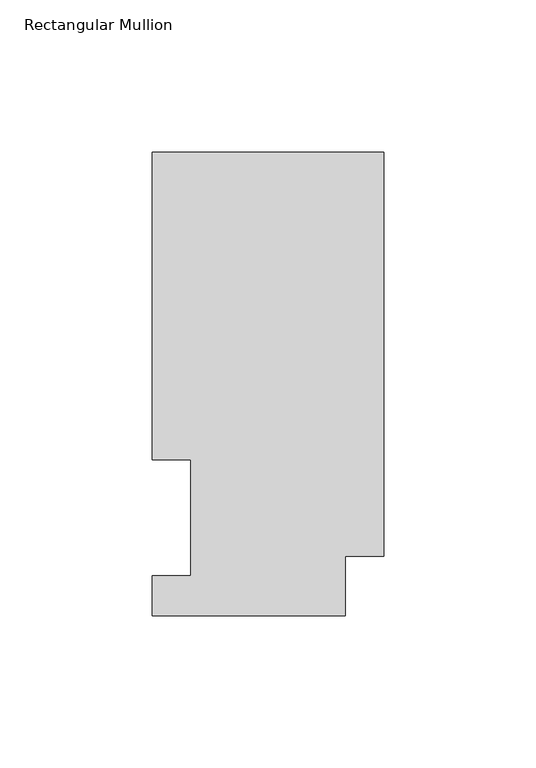
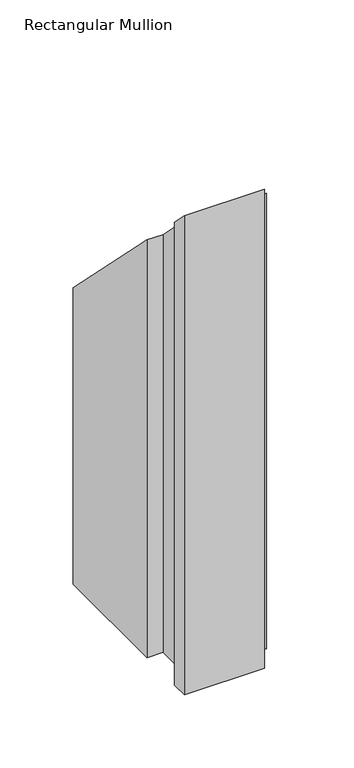
"""IFC4 building model written with IfcOpenShell, lengths in millimetres: member geometry, Rectangular Mullion."""

from ifc_helpers import new_model, si_unit, origin, place, context, project, spatial, faceted_brep, source, transform, mapped, element, save


def rectangular_mullion_5541d0c9(model_context):
    return source(origin(), model_context, "Body", "Brep", [
        faceted_brep([(-76.2, 13.1960938, -400.05), (-63.5127, 13.1960938, -400.05), (-63.5127, 51.2960938, -400.05), (-76.2, 51.2960938, -400.05), (-76.2, 152.4896938, -400.05), (0.0, 152.4896938, -400.05), (0.0, 19.5460937, -400.05), (-12.7, 19.5460937, -400.05), (-12.7, 0.0134938, -400.05), (-76.2, 0.0134938, -400.05), (-76.2, 0.0134938, -0.0134938), (-76.2, 13.1960938, -13.1960938), (-12.7, 0.0134938, -0.0134938), (-12.7, 19.5460937, -19.5460937), (0.0, 19.5460937, -19.5460937), (0.0, 152.4896938, -152.4896938), (-76.2, 152.4896938, -152.4896938), (-76.2, 51.2960938, -51.2960938), (-63.5127, 51.2960938, -51.2960938), (-63.5127, 13.1960938, -13.1960938)], [[[0, 1, 2, 3, 4, 5, 6, 7, 8, 9]], [[10, 11, 0, 9]], [[12, 10, 9, 8]], [[13, 12, 8, 7]], [[14, 13, 7, 6]], [[15, 14, 6, 5]], [[16, 15, 5, 4]], [[17, 16, 4, 3]], [[18, 17, 3, 2]], [[19, 18, 2, 1]], [[11, 19, 1, 0]], [[11, 10, 12, 13, 14, 15, 16, 17, 18, 19]]]),
    ])


if __name__ == "__main__":
    model = new_model("IFC4")
    model_context = context("Model", 3, world=origin())
    ifc_project = project(units=[si_unit("LENGTHUNIT", "METRE", prefix="MILLI")], contexts=[model_context])
    site = spatial("IfcSite", under=ifc_project)
    building = spatial("IfcBuilding", under=site)
    placement = place(None, origin())
    rectangular_mullion_shape = rectangular_mullion_5541d0c9(model_context)
    element("IfcMember", 1, ObjectType="Rectangular Mullion", at=placement, inside=building, context=model_context, shape_type="MappedRepresentation", body=[
        mapped(rectangular_mullion_shape, transform((0.0, 0.0, 0.0), x_axis=(1.0, 0.0, 0.0), y_axis=(0.0, 1.0, 0.0), z_axis=(0.0, 0.0, 1.0))),
    ])
    save(model, "model.ifc")
